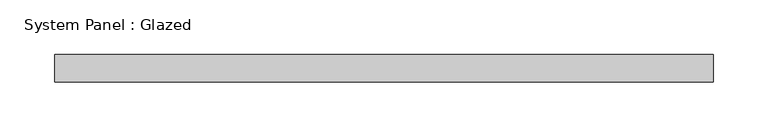
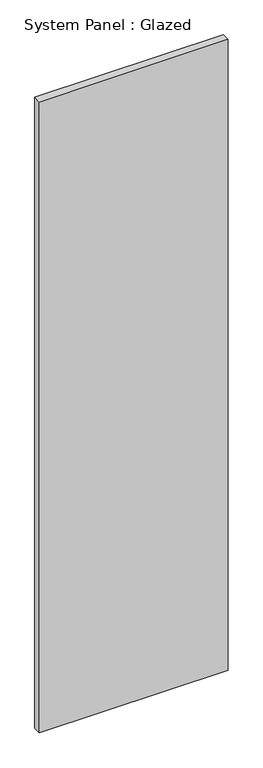
"""IFC4 building model written with IfcOpenShell, lengths in millimetres: plate geometry, System Panel : Glazed."""

from ifc_helpers import new_model, si_unit, origin, origin_with_axes, place, context, project, spatial, polyline, outline, extrude, source, transform, mapped, element, save


def system_panel_glazed_ab60a366(model_context):
    return source(origin(), model_context, "Body", "SweptSolid", [
        extrude(outline(polyline([(302.021875, -44.45), (-302.021875, -44.45), (-302.021875, -19.05), (302.021875, -19.05), (302.021875, -44.45)])), origin_with_axes(), (0.0, 0.0, 1.0), 2133.6),
    ])


if __name__ == "__main__":
    model = new_model("IFC4")
    model_context = context("Model", 3, world=origin())
    ifc_project = project(units=[si_unit("LENGTHUNIT", "METRE", prefix="MILLI")], contexts=[model_context])
    site = spatial("IfcSite", under=ifc_project)
    building = spatial("IfcBuilding", under=site)
    placement = place(None, origin())
    system_panel_glazed_shape = system_panel_glazed_ab60a366(model_context)
    element("IfcPlate", 1, ObjectType="System Panel : Glazed", at=placement, inside=building, context=model_context, shape_type="MappedRepresentation", body=[
        mapped(system_panel_glazed_shape, transform((0.0, 0.0, 0.0), x_axis=(1.0, 0.0, 0.0), y_axis=(0.0, 1.0, 0.0), z_axis=(0.0, 0.0, 1.0))),
    ])
    save(model, "model.ifc")
